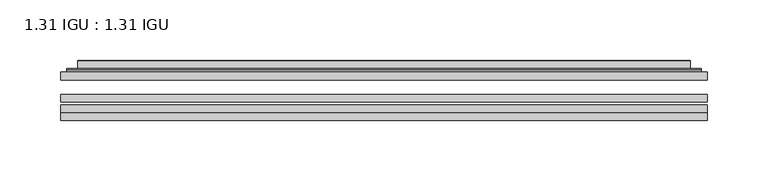
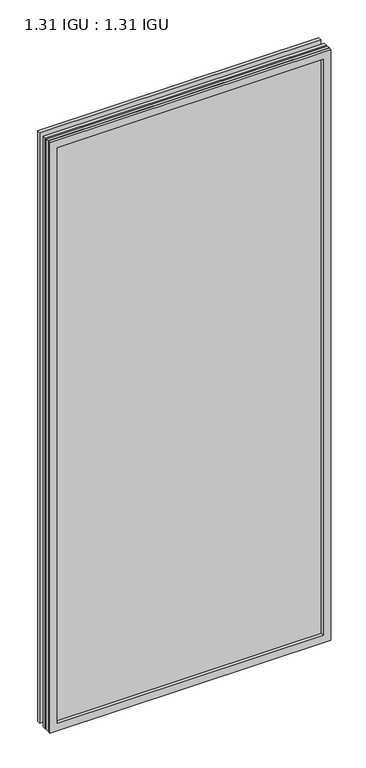
"""IFC4 building model written with IfcOpenShell, lengths in millimetres: plate geometry, 1.31 IGU : 1.31 IGU."""

import ifcopenshell
import ifcopenshell.guid

model = None  # the IFC model being written
_history = None  # IfcOwnerHistory: only IFC2X3 demands one
_inside = {}  # id of a spatial element -> (the spatial element, [elements in it])
_under = {}  # id of a project, library or spatial element -> (it, [spatial elements below it])
_declared = {}  # id of a project -> (the project, [libraries it declares])
_typed = {}  # id of a type object -> (the type object, [elements of that type])
_made_of = {}  # id of a material, layer set ... -> (it, [elements and type objects made of it])


def new_model(schema):
    """Start an empty IFC model of exactly this schema.

    Asked for "IFC4X3", IfcOpenShell would pick the latest addendum, in which some entities
    have other attributes; the version numbers below select the first issue.
    IFC2X3 requires an IfcOwnerHistory on every rooted entity: one is made here for all.
    """
    global model, _history
    if schema == "IFC4X3":
        model = ifcopenshell.file(schema_version=(4, 3, 0, 0))
    else:
        model = ifcopenshell.file(schema=schema)
    _inside.clear()
    _under.clear()
    _declared.clear()
    _typed.clear()
    _made_of.clear()
    _history = None
    if model.schema == "IFC2X3":
        org = make("IfcOrganization", Name="unknown")
        user = make(
            "IfcPersonAndOrganization",
            ThePerson=make("IfcPerson", FamilyName="unknown"),
            TheOrganization=org,
        )
        app = make(
            "IfcApplication",
            ApplicationDeveloper=org,
            Version="unknown",
            ApplicationFullName="unknown",
            ApplicationIdentifier="unknown",
        )
        _history = make(
            "IfcOwnerHistory",
            OwningUser=user,
            OwningApplication=app,
            ChangeAction="ADDED",
            CreationDate=0,
        )
    return model


def make(cls, **values):
    """One entity of the class cls with the attributes given. An attribute that is None is left unset."""
    return model.create_entity(
        cls, **{name: value for name, value in values.items() if value is not None}
    )


def rooted(cls, **values):
    """An entity with a GlobalId (a new one), such as an element, a storey or a relation."""
    return make(cls, GlobalId=ifcopenshell.guid.new(), OwnerHistory=_history, **values)


def si_unit(unit_type, name, prefix=None):
    """IfcSIUnit, for example si_unit("LENGTHUNIT", "METRE", prefix="MILLI")."""
    return make("IfcSIUnit", UnitType=unit_type, Prefix=prefix, Name=name)


def assignment(units):
    """IfcUnitAssignment: the units of a project."""
    return None if units is None else make("IfcUnitAssignment", Units=units)


def point(xyz):
    """IfcCartesianPoint."""
    return None if xyz is None else make("IfcCartesianPoint", Coordinates=xyz)


def direction(xyz):
    """IfcDirection."""
    return None if xyz is None else make("IfcDirection", DirectionRatios=xyz)


def frame(location, z_axis=None, x_axis=None):
    """IfcAxis2Placement3D, a coordinate frame: its origin and axes. An axis left out is left unset."""
    return make(
        "IfcAxis2Placement3D",
        Location=point(location),
        Axis=direction(z_axis),
        RefDirection=direction(x_axis),
    )


def origin():
    """The frame at (0, 0, 0) with its axes left unset."""
    return frame((0.0, 0.0, 0.0))


def place(relative_to, where):
    """IfcLocalPlacement: puts the frame where relative to a parent placement (None: the world)."""
    return make(
        "IfcLocalPlacement", PlacementRelTo=relative_to, RelativePlacement=where
    )


def context(
    kind, dimensions, precision=None, world=None, true_north=None, identifier=None
):
    """IfcGeometricRepresentationContext, for example the 3D "Model" context."""
    return make(
        "IfcGeometricRepresentationContext",
        ContextIdentifier=identifier,
        ContextType=kind,
        CoordinateSpaceDimension=dimensions,
        Precision=precision,
        WorldCoordinateSystem=world,
        TrueNorth=true_north,
    )


def project(units=None, contexts=None):
    """IfcProject with its units and contexts."""
    return rooted(
        "IfcProject",
        Name="project",
        RepresentationContexts=contexts,
        UnitsInContext=assignment(units),
    )


def spatial(cls, under=None, at=None, **own):
    """A site, building, storey or space (cls), placed at a placement, below another one or the project."""
    s = rooted(cls, ObjectPlacement=at, **own)
    if under is not None:
        _under.setdefault(under.id(), (under, []))[1].append(s)
    return s


def polyline(points):
    """IfcPolyline through the points."""
    return make("IfcPolyline", Points=[point(p) for p in points])


def ellipse_curve(where, semi_axis1, semi_axis2):
    """IfcEllipse in the frame where."""
    return make(
        "IfcEllipse", Position=where, SemiAxis1=semi_axis1, SemiAxis2=semi_axis2
    )


def outline(outer, holes=None, kind="AREA"):
    """IfcArbitraryClosedProfileDef: a profile drawn as a closed curve; with holes, ...WithVoids."""
    if holes is None:
        return make("IfcArbitraryClosedProfileDef", ProfileType=kind, OuterCurve=outer)
    return make(
        "IfcArbitraryProfileDefWithVoids",
        ProfileType=kind,
        OuterCurve=outer,
        InnerCurves=holes,
    )


def extrude(swept, where, along, depth):
    """IfcExtrudedAreaSolid: the profile swept, set in the frame where, extruded along a direction by depth."""
    return make(
        "IfcExtrudedAreaSolid",
        SweptArea=swept,
        Position=where,
        ExtrudedDirection=direction(along),
        Depth=depth,
    )


def faces_of(points, faces, orient=None, outer=None):
    """IfcFace entities. A face is a list of loops; a loop is a list of indices into points, from 0.

    orient and outer hold one flag for each loop. By default every Orientation is true, the
    first loop of a face is its IfcFaceOuterBound and the others are IfcFaceBound.
    """
    made = []
    for i, loops in enumerate(faces):
        bounds = []
        for j, loop in enumerate(loops):
            is_outer = j == 0 if outer is None else outer[i][j]
            bounds.append(
                make(
                    "IfcFaceOuterBound" if is_outer else "IfcFaceBound",
                    Bound=make("IfcPolyLoop", Polygon=[points[k] for k in loop]),
                    Orientation=True if orient is None else orient[i][j],
                )
            )
        made.append(make("IfcFace", Bounds=bounds))
    return made


def faceted_brep(points, faces, orient=None, outer=None, voids=None):
    """IfcFacetedBrep: a solid bounded by flat faces; with voids (closed shells), ...WithVoids."""
    shared = [point(p) for p in points]
    hull = make("IfcClosedShell", CfsFaces=faces_of(shared, faces, orient, outer))
    if voids is None:
        return make("IfcFacetedBrep", Outer=hull)
    return make(
        "IfcFacetedBrepWithVoids",
        Outer=hull,
        Voids=[
            make(cls, CfsFaces=faces_of(shared, fs, o, b)) for cls, fs, o, b in voids
        ],
    )


def shape(context_of_items, identifier, shape_type, items):
    """IfcShapeRepresentation: the items that make up one representation, for example the "Body"."""
    return make(
        "IfcShapeRepresentation",
        ContextOfItems=context_of_items,
        RepresentationIdentifier=identifier,
        RepresentationType=shape_type,
        Items=items,
    )


def source(mapping_origin, context_of_items, identifier, shape_type, items):
    """IfcRepresentationMap: a shape defined once, which mapped items show again and again."""
    return make(
        "IfcRepresentationMap",
        MappingOrigin=mapping_origin,
        MappedRepresentation=shape(context_of_items, identifier, shape_type, items),
    )


def transform(
    local_origin,
    x_axis=None,
    y_axis=None,
    z_axis=None,
    scale=None,
    scale2=None,
    scale3=None,
    uniform=True,
):
    """IfcCartesianTransformationOperator3D, or its non-uniform kind. x_axis, y_axis, z_axis: its Axis1, 2, 3."""
    if uniform:
        return make(
            "IfcCartesianTransformationOperator3D",
            Axis1=direction(x_axis),
            Axis2=direction(y_axis),
            LocalOrigin=point(local_origin),
            Scale=scale,
            Axis3=direction(z_axis),
        )
    return make(
        "IfcCartesianTransformationOperator3DnonUniform",
        Axis1=direction(x_axis),
        Axis2=direction(y_axis),
        LocalOrigin=point(local_origin),
        Scale=scale,
        Axis3=direction(z_axis),
        Scale2=scale2,
        Scale3=scale3,
    )


def mapped(mapping_source, mapping_target):
    """IfcMappedItem: shows the shape of a source again, moved by a transform."""
    return make(
        "IfcMappedItem", MappingSource=mapping_source, MappingTarget=mapping_target
    )


def made_of(thing, what):
    """Note that an element or type object is made of a material, layer set ...; save() writes the relation."""
    if what is not None:
        _made_of.setdefault(what.id(), (what, []))[1].append(thing)
    return thing


def element(
    cls,
    number,
    at=None,
    inside=None,
    cuts=None,
    type_object=None,
    material=None,
    context=None,
    identifier="Body",
    shape_type=None,
    held_by="IfcProductDefinitionShape",
    body=None,
    shapes=None,
    **own,
):
    """One element of the class cls, such as IfcWall. Its Tag is "e" and its number.

    at: its placement. inside: the storey or other place that contains it. cuts: it is an
    opening in that element (IfcRelVoidsElement). A single representation is given by context,
    identifier, shape_type and body (its items); several are given by shapes. held_by: the class
    of the entity that holds the representations. save() writes the other relations.
    """
    e = rooted(cls, Tag="e%d" % number, ObjectPlacement=at, **own)
    if body is not None:
        shapes = [shape(context, identifier, shape_type, body)]
    if shapes is not None:
        e.Representation = make(held_by, Representations=shapes)
    if inside is not None:
        _inside.setdefault(inside.id(), (inside, []))[1].append(e)
    if cuts is not None:
        rooted(
            "IfcRelVoidsElement", RelatingBuildingElement=cuts, RelatedOpeningElement=e
        )
    if type_object is not None:
        _typed.setdefault(type_object.id(), (type_object, []))[1].append(e)
    return made_of(e, material)


def aggregate(whole, parts):
    """IfcRelAggregates: a whole, such as a stair, and the parts it consists of."""
    return rooted("IfcRelAggregates", RelatingObject=whole, RelatedObjects=parts)


def save(model, path):
    """Write the relations noted so far, then the file.

    IfcRelAggregates (storeys below a building ...), IfcRelContainedInSpatialStructure (elements
    in a storey), IfcRelDefinesByType, IfcRelAssociatesMaterial and IfcRelDeclares: one each for
    every whole, place, type object, material and project.
    """
    for whole, parts in _under.values():
        aggregate(whole, parts)
    for where, things in _inside.values():
        rooted(
            "IfcRelContainedInSpatialStructure",
            RelatedElements=things,
            RelatingStructure=where,
        )
    for kind, things in _typed.values():
        rooted("IfcRelDefinesByType", RelatedObjects=things, RelatingType=kind)
    for what, things in _made_of.values():
        rooted("IfcRelAssociatesMaterial", RelatedObjects=things, RelatingMaterial=what)
    for by, libraries in _declared.values():
        rooted("IfcRelDeclares", RelatingContext=by, RelatedDefinitions=libraries)
    model.write(path)


def plane_surface(at):
    """IfcPlane: the flat surface through the origin of the frame at, square to its z axis."""
    return make("IfcPlane", Position=at)


def cylinder_surface(at, radius):
    """IfcCylindricalSurface: all points at the distance radius from the z axis of the frame at."""
    return make("IfcCylindricalSurface", Position=at, Radius=radius)


def advanced_brep(points, edges, surfaces, faces):
    """IfcAdvancedBrep: a solid bounded by faces that lie on surfaces and meet in shared edges.

    An edge is (start, end): straight between two places in points (the first is 0);
    or (start, end, curve); or (start, end, curve, False) where it runs against its curve.
    A face is (place in surfaces, loops), or (place, loops, False) where it looks against
    its surface's normal. A loop lists edges by number (the first is 1), with a minus sign
    where the edge is run from its end to its start. The first loop is the outer one.
    """
    corners = [point(p) for p in points]
    vertices = [make("IfcVertexPoint", VertexGeometry=c) for c in corners]
    made = []
    for start, end, *more in edges:
        made.append(
            make(
                "IfcEdgeCurve",
                EdgeStart=vertices[start],
                EdgeEnd=vertices[end],
                EdgeGeometry=more[0] if more else make("IfcPolyline", Points=[corners[start], corners[end]]),
                SameSense=more[1] if len(more) > 1 else True,
            )
        )
    hull = []
    for where, loops, *sense in faces:
        bounds = []
        for j, loop in enumerate(loops):
            ring = [make("IfcOrientedEdge", EdgeElement=made[abs(k) - 1], Orientation=k > 0) for k in loop]
            bounds.append(
                make(
                    "IfcFaceOuterBound" if j == 0 else "IfcFaceBound",
                    Bound=make("IfcEdgeLoop", EdgeList=ring),
                    Orientation=True,
                )
            )
        hull.append(make("IfcAdvancedFace", Bounds=bounds, FaceSurface=surfaces[where], SameSense=sense[0] if sense else True))
    return make("IfcAdvancedBrep", Outer=make("IfcClosedShell", CfsFaces=hull))


def plate_1_31_igu_1_31_igu_ceed9041(model_context):
    return source(origin(), model_context, "Body", "SolidModel", [
        extrude(outline(polyline([(266.714175, -63.2975937), (266.714175, -69.6475938), (-266.7, -69.6475938), (-266.7, -63.2975937), (266.714175, -63.2975937)])), frame((0.0, 0.0, -14.2875), z_axis=(0.0, 0.0, 1.0), x_axis=(1.0, 0.0, 0.0)), (0.0, 0.0, 1.0), 1184.2787979),
        extrude(outline(polyline([(-266.7, -78.2835938), (-266.7, -71.9330887), (266.714175, -71.9330887), (266.714175, -78.2835938), (-266.7, -78.2835938)])), frame((0.0, 0.0, -14.2875), z_axis=(0.0, 0.0, 1.0), x_axis=(1.0, 0.0, 0.0)), (0.0, 0.0, 1.0), 1184.2787979),
        extrude(outline(polyline([(266.714175, -44.9587937), (266.714175, -51.3087938), (-266.7, -51.3087938), (-266.7, -44.9587937), (266.714175, -44.9587937)])), frame((0.0, 0.0, -14.2875), z_axis=(0.0, 0.0, 1.0), x_axis=(1.0, 0.0, 0.0)), (0.0, 0.0, 1.0), 1184.2787979),
        faceted_brep([(-266.7127, -84.6335937, 1170.0002), (-266.7127, -78.2835937, 1170.0002), (-266.7127, -78.2835937, -14.3002), (-266.7127, -84.6335937, -14.3002), (266.7127, -78.2835937, -14.3002), (266.7127, -84.6335937, -14.3002), (266.7127, -78.2835937, 1170.0002), (266.7127, -84.6335937, 1170.0002), (-251.5147559, -78.2835937, 0.8977441), (251.5147559, -78.2835937, 0.8977441), (251.5147559, -78.2835937, 1154.8022559), (-251.5147559, -78.2835937, 1154.8022559), (-252.4071902, -84.6335937, 1155.6946902), (252.4071902, -84.6335937, 1155.6946902), (252.4071902, -84.6335937, 0.0053098), (-252.4071902, -84.6335937, 0.0053098)], [[[0, 1, 2, 3]], [[3, 2, 4, 5]], [[5, 4, 6, 7]], [[1, 6, 4, 2], [8, 9, 10, 11]], [[7, 6, 1, 0]], [[3, 5, 7, 0], [12, 13, 14, 15]], [[11, 12, 15, 8]], [[8, 15, 14, 9]], [[9, 14, 13, 10]], [[10, 13, 12, 11]]]),
        advanced_brep(
        [(-259.458719, -44.9587937, 1162.746219), (-261.8129244, -42.9691271, 1165.1004244), (-261.8129244, -42.9691271, -9.4004244), (-259.458719, -44.9587937, -7.046219), (-250.3843939, -41.1187568, 1153.6718939), (-245.4495621, -44.9587937, 1148.7370621), (-245.4495621, -44.9587937, 6.9629379), (-250.3843939, -41.1187568, 2.0281061), (-251.4164217, -35.7215256, 1154.7039217), (-251.4164217, -35.7215256, 0.9960783), (-252.4070784, -35.3225507, 1155.6945784), (-252.4070784, -35.3225507, 0.0054216), (-252.4070784, -41.7837937, 1155.6945784), (-252.4070784, -41.7837937, 0.0054216), (-260.8111349, -41.7837937, 1164.0986349), (-260.8111349, -41.7837937, -8.3986349), (261.8129244, -42.9691271, -9.4004244), (259.458719, -44.9587937, -7.046219), (245.4495621, -44.9587937, 6.9629379), (250.3843939, -41.1187568, 2.0281061), (251.4164217, -35.7215256, 0.9960783), (252.4070784, -35.3225507, 0.0054216), (252.4070784, -41.7837937, 0.0054216), (260.8111349, -41.7837937, -8.3986349), (261.8129244, -42.9691271, 1165.1004244), (259.458719, -44.9587937, 1162.746219), (245.4495621, -44.9587937, 1148.7370621), (250.3843939, -41.1187568, 1153.6718939), (251.4164217, -35.7215256, 1154.7039217), (252.4070784, -35.3225507, 1155.6945784), (252.4070784, -41.7837937, 1155.6945784), (260.8111349, -41.7837937, 1164.0986349)],
        [
            (0, 1, ellipse_curve(frame((-259.458719, -42.5711937, 1162.746219), z_axis=(-0.7071067811865475, 0.0, -0.7071067811865475), x_axis=(-0.7071067811865474, 0.0, 0.7071067811865476)), 3.3765763, 2.3876)),
            (1, 2),
            (2, 3, ellipse_curve(frame((-259.458719, -42.5711937, -7.046219), z_axis=(-0.7071067811865475, 0.0, 0.7071067811865475), x_axis=(0.7071067811865474, 0.0, 0.7071067811865476)), 3.3765763, 2.3876)),
            (3, 0),
            (4, 5),
            (5, 6),
            (6, 7),
            (7, 4),
            (8, 4),
            (7, 9),
            (9, 8),
            (10, 8, ellipse_curve(frame((-252.0401219, -35.840786, 1155.3276219), z_axis=(-0.7071067811865475, 0.0, -0.7071067811865475), x_axis=(-0.7071067811865474, 0.0, 0.7071067811865476)), 0.8980256, 0.635)),
            (9, 11, ellipse_curve(frame((-252.0401219, -35.840786, 0.3723781), z_axis=(-0.7071067811865475, 0.0, 0.7071067811865475), x_axis=(0.7071067811865474, 0.0, 0.7071067811865476)), 0.8980256, 0.635)),
            (11, 10),
            (12, 10),
            (11, 13),
            (13, 12),
            (1, 14, ellipse_curve(frame((-260.8111349, -42.7997937, 1164.0986349), z_axis=(-0.7071067811865475, 0.0, -0.7071067811865475), x_axis=(-0.7071067811865474, 0.0, 0.7071067811865476)), 1.436841, 1.016)),
            (14, 15),
            (15, 2, ellipse_curve(frame((-260.8111349, -42.7997937, -8.3986349), z_axis=(-0.7071067811865475, 0.0, 0.7071067811865475), x_axis=(0.7071067811865474, 0.0, 0.7071067811865476)), 1.436841, 1.016)),
            (2, 16),
            (16, 17, ellipse_curve(frame((259.458719, -42.5711937, -7.046219), z_axis=(-0.7071067811865475, 0.0, -0.7071067811865475), x_axis=(-0.7071067811865476, 0.0, 0.7071067811865474)), 3.3765763, 2.3876)),
            (17, 3),
            (6, 18),
            (18, 19),
            (19, 7),
            (19, 20),
            (20, 9),
            (20, 21, ellipse_curve(frame((252.0401219, -35.840786, 0.3723781), z_axis=(-0.7071067811865475, 0.0, -0.7071067811865475), x_axis=(-0.7071067811865476, 0.0, 0.7071067811865474)), 0.8980256, 0.635)),
            (21, 11),
            (21, 22),
            (22, 13),
            (15, 23),
            (23, 16, ellipse_curve(frame((260.8111349, -42.7997937, -8.3986349), z_axis=(-0.7071067811865475, 0.0, -0.7071067811865475), x_axis=(-0.7071067811865476, 0.0, 0.7071067811865474)), 1.436841, 1.016)),
            (16, 24),
            (24, 25, ellipse_curve(frame((259.458719, -42.5711937, 1162.746219), z_axis=(0.7071067811865475, 0.0, -0.7071067811865475), x_axis=(-0.7071067811865474, 0.0, -0.7071067811865476)), 3.3765763, 2.3876)),
            (25, 17),
            (18, 26),
            (26, 27),
            (27, 19),
            (27, 28),
            (28, 20),
            (28, 29, ellipse_curve(frame((252.0401219, -35.840786, 1155.3276219), z_axis=(0.7071067811865475, 0.0, -0.7071067811865475), x_axis=(-0.7071067811865474, 0.0, -0.7071067811865476)), 0.8980256, 0.635)),
            (29, 21),
            (29, 30),
            (30, 22),
            (23, 31),
            (31, 24, ellipse_curve(frame((260.8111349, -42.7997937, 1164.0986349), z_axis=(0.7071067811865475, 0.0, -0.7071067811865475), x_axis=(-0.7071067811865474, 0.0, -0.7071067811865476)), 1.436841, 1.016)),
            (24, 1),
            (0, 25),
            (5, 26),
            (4, 27),
            (8, 28),
            (10, 29),
            (12, 30),
            (14, 31),
        ],
        [
            cylinder_surface(frame((-259.458719, -42.5711937, 1187.45), z_axis=(0.0, 0.0, 1.0), x_axis=(-1.0, 0.0, 0.0)), 2.3876),
            plane_surface(frame((-245.4495621, -44.9587937, 1148.7370621), z_axis=(0.6141233906514794, 0.7892100234124821, 0.0), x_axis=(0.0, 0.0, -1.0))),
            plane_surface(frame((-250.3843939, -41.1187568, 1153.6718939), z_axis=(0.9822050625507729, 0.18781164793386076, 0.0), x_axis=(0.0, 0.0, -1.0))),
            cylinder_surface(frame((-252.0401219, -35.840786, 1187.45), z_axis=(0.0, 0.0, 1.0), x_axis=(-1.0, 0.0, 0.0)), 0.635),
            plane_surface(frame((-252.4070784, -35.3225507, 1155.6945784), z_axis=(-1.0, 0.0, 0.0), x_axis=(0.0, 0.0, -1.0))),
            cylinder_surface(frame((-260.8111349, -42.7997937, 1187.45), z_axis=(0.0, 0.0, 1.0), x_axis=(-1.0, 0.0, 0.0)), 1.016),
            cylinder_surface(frame((-284.1625, -42.5711937, -7.046219), z_axis=(-1.0, 0.0, 0.0), x_axis=(0.0, 0.0, -1.0)), 2.3876),
            plane_surface(frame((-245.4495621, -44.9587937, 6.9629379), z_axis=(0.0, 0.7892100234124841, 0.6141233906514768), x_axis=(1.0, 0.0, 0.0))),
            plane_surface(frame((-250.3843939, -41.1187568, 2.0281061), z_axis=(0.0, 0.18781164793386393, 0.9822050625507723), x_axis=(1.0, 0.0, 0.0))),
            cylinder_surface(frame((-284.1625, -35.840786, 0.3723781), z_axis=(-1.0, 0.0, 0.0), x_axis=(0.0, 0.0, -1.0)), 0.635),
            plane_surface(frame((-252.4070784, -35.3225507, 0.0054216), z_axis=(0.0, 0.0, -1.0), x_axis=(1.0, 0.0, 0.0))),
            cylinder_surface(frame((-284.1625, -42.7997937, -8.3986349), z_axis=(-1.0, 0.0, 0.0), x_axis=(0.0, 0.0, -1.0)), 1.016),
            cylinder_surface(frame((259.458719, -42.5711937, -31.75), z_axis=(0.0, 0.0, -1.0), x_axis=(1.0, 0.0, 0.0)), 2.3876),
            plane_surface(frame((245.4495621, -44.9587937, 6.9629379), z_axis=(-0.6141233906514743, 0.7892100234124861, 0.0), x_axis=(0.0, 0.0, 1.0))),
            plane_surface(frame((250.3843939, -41.1187568, 2.0281061), z_axis=(-0.9822050625507718, 0.1878116479338671, 0.0), x_axis=(0.0, 0.0, 1.0))),
            cylinder_surface(frame((252.0401219, -35.840786, -31.75), z_axis=(0.0, 0.0, -1.0), x_axis=(1.0, 0.0, 0.0)), 0.635),
            plane_surface(frame((252.4070784, -35.3225507, 0.0054216), z_axis=(1.0, 0.0, 0.0), x_axis=(0.0, 0.0, 1.0))),
            cylinder_surface(frame((260.8111349, -42.7997937, -31.75), z_axis=(0.0, 0.0, -1.0), x_axis=(1.0, 0.0, 0.0)), 1.016),
            cylinder_surface(frame((284.1625, -42.5711937, 1162.746219), z_axis=(1.0, 0.0, 0.0), x_axis=(0.0, 0.0, 1.0)), 2.3876),
            plane_surface(frame((259.458719, -44.9587937, 1162.746219), z_axis=(0.0, -1.0, 0.0), x_axis=(-1.0, 0.0, 0.0))),
            plane_surface(frame((245.4495621, -44.9587937, 1148.7370621), z_axis=(0.0, 0.7892100234124841, -0.6141233906514768), x_axis=(-1.0, 0.0, 0.0))),
            plane_surface(frame((250.3843939, -41.1187568, 1153.6718939), z_axis=(0.0, 0.18781164793386393, -0.9822050625507723), x_axis=(-1.0, 0.0, 0.0))),
            cylinder_surface(frame((284.1625, -35.840786, 1155.3276219), z_axis=(1.0, 0.0, 0.0), x_axis=(0.0, 0.0, 1.0)), 0.635),
            plane_surface(frame((252.4070784, -35.3225507, 1155.6945784), z_axis=(0.0, 0.0, 1.0), x_axis=(-1.0, 0.0, 0.0))),
            plane_surface(frame((252.4070784, -41.7837937, 1155.6945784), z_axis=(0.0, 1.0, 0.0), x_axis=(-1.0, 0.0, 0.0))),
            cylinder_surface(frame((284.1625, -42.7997937, 1164.0986349), z_axis=(1.0, 0.0, 0.0), x_axis=(0.0, 0.0, 1.0)), 1.016),
        ],
        [
            (0, [[1, 2, 3, 4]]),
            (1, [[5, 6, 7, 8]]),
            (2, [[9, -8, 10, 11]]),
            (3, [[12, -11, 13, 14]]),
            (4, [[15, -14, 16, 17]]),
            (5, [[18, 19, 20, -2]]),
            (6, [[-3, 21, 22, 23]]),
            (7, [[-7, 24, 25, 26]]),
            (8, [[-10, -26, 27, 28]]),
            (9, [[-13, -28, 29, 30]]),
            (10, [[-16, -30, 31, 32]]),
            (11, [[-20, 33, 34, -21]]),
            (12, [[-22, 35, 36, 37]]),
            (13, [[-25, 38, 39, 40]]),
            (14, [[-27, -40, 41, 42]]),
            (15, [[-29, -42, 43, 44]]),
            (16, [[-31, -44, 45, 46]]),
            (17, [[-34, 47, 48, -35]]),
            (18, [[-36, 49, -1, 50]]),
            (19, [[-23, -37, -50, -4], [51, -38, -24, -6]]),
            (20, [[-39, -51, -5, 52]]),
            (21, [[-41, -52, -9, 53]]),
            (22, [[-43, -53, -12, 54]]),
            (23, [[-45, -54, -15, 55]]),
            (24, [[56, -47, -33, -19], [-32, -46, -55, -17]]),
            (25, [[-48, -56, -18, -49]]),
        ],
    ),
    ])


if __name__ == "__main__":
    model = new_model("IFC4")
    model_context = context("Model", 3, world=origin())
    ifc_project = project(units=[si_unit("LENGTHUNIT", "METRE", prefix="MILLI")], contexts=[model_context])
    site = spatial("IfcSite", under=ifc_project)
    building = spatial("IfcBuilding", under=site)
    placement = place(None, origin())
    plate_1_31_igu_1_31_igu_shape = plate_1_31_igu_1_31_igu_ceed9041(model_context)
    element("IfcPlate", 1, ObjectType="1.31 IGU : 1.31 IGU", at=placement, inside=building, context=model_context, shape_type="MappedRepresentation", body=[
        mapped(plate_1_31_igu_1_31_igu_shape, transform((0.0, 0.0, 0.0), x_axis=(1.0, 0.0, 0.0), y_axis=(0.0, 1.0, 0.0), z_axis=(0.0, 0.0, 1.0))),
    ])
    save(model, "model.ifc")
